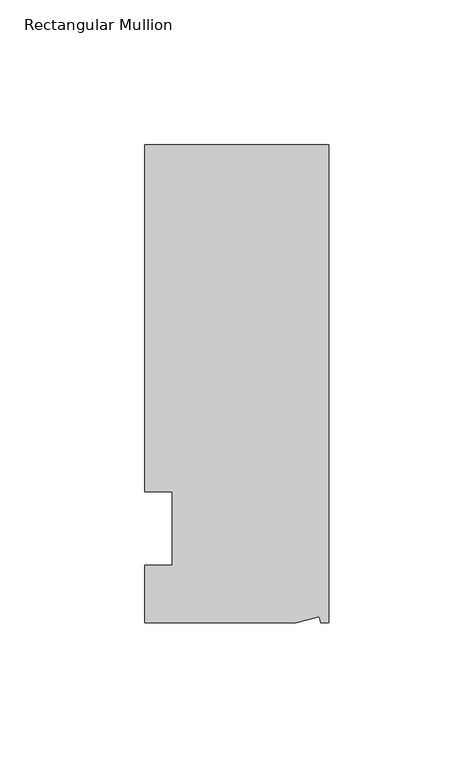
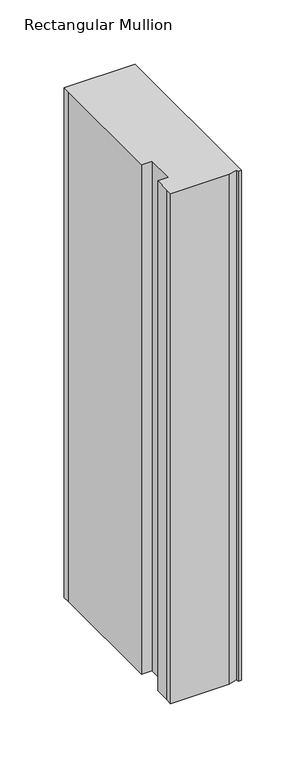
"""IFC4 building model written with IfcOpenShell, lengths in millimetres: member geometry, Rectangular Mullion."""

from ifc_helpers import new_model, si_unit, frame, origin, place, context, project, spatial, polyline, outline, extrude, source, transform, mapped, element, save


def rectangular_mullion_d67dff56(model_context):
    return source(origin(), model_context, "Body", "SweptSolid", [
        extrude(outline(polyline([(0.0, 132.5561012), (0.0, -32.5438988), (-2.7616541, -32.5438988), (-3.3341886, -30.4622958), (-11.121847, -32.5438988), (-63.5, -32.5438988), (-63.5, -26.1938988), (-63.5, -12.5945801), (-53.975, -12.5945801), (-53.975, 12.8054199), (-63.5, 12.8054199), (-63.5, 126.2061012), (-63.5, 132.5561012), (0.0, 132.5561012)])), frame((0.0, 0.0, -482.6), z_axis=(0.0, 0.0, 1.0), x_axis=(1.0, 0.0, 0.0)), (0.0, 0.0, 1.0), 482.6),
    ])


if __name__ == "__main__":
    model = new_model("IFC4")
    model_context = context("Model", 3, world=origin())
    ifc_project = project(units=[si_unit("LENGTHUNIT", "METRE", prefix="MILLI")], contexts=[model_context])
    site = spatial("IfcSite", under=ifc_project)
    building = spatial("IfcBuilding", under=site)
    placement = place(None, origin())
    rectangular_mullion_shape = rectangular_mullion_d67dff56(model_context)
    element("IfcMember", 1, ObjectType="Rectangular Mullion", at=placement, inside=building, context=model_context, shape_type="MappedRepresentation", body=[
        mapped(rectangular_mullion_shape, transform((0.0, 0.0, 0.0), x_axis=(1.0, 0.0, 0.0), y_axis=(0.0, 1.0, 0.0), z_axis=(0.0, 0.0, 1.0))),
    ])
    save(model, "model.ifc")
